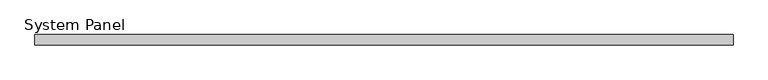
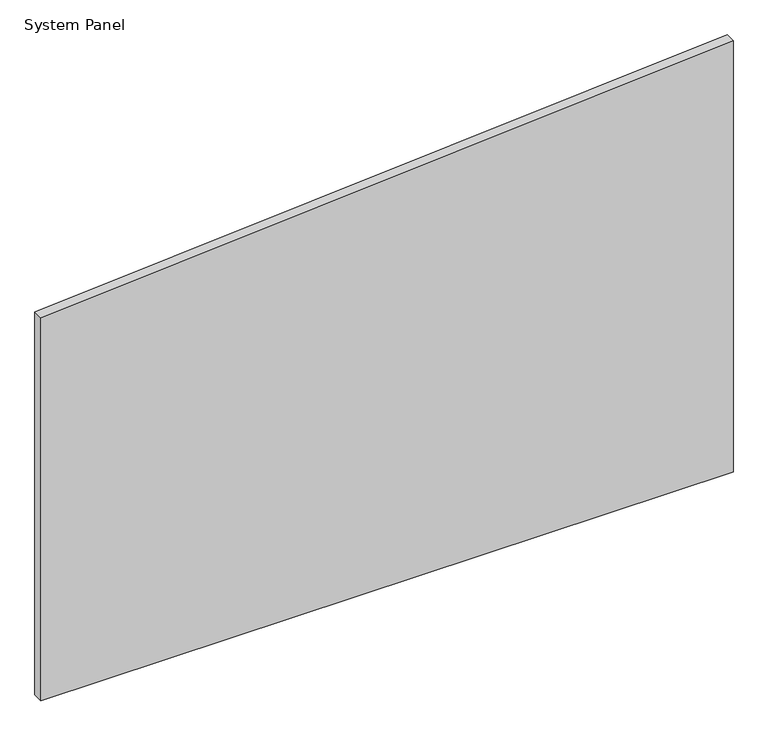
"""IFC4 building model written with IfcOpenShell, lengths in millimetres: plate geometry, System Panel."""

from ifc_helpers import new_model, si_unit, frame, origin, place, context, project, spatial, polyline, outline, extrude, source, transform, mapped, element, save


def system_panel_275e187a(model_context):
    return source(origin(), model_context, "Body", "SweptSolid", [
        extrude(outline(polyline([(0.0, -660.190407), (0.0, 660.190407), (869.5225486, 660.190407), (772.3361392, -660.190407), (0.0, -660.190407)])), frame((0.0, -10.0, 0.0), z_axis=(0.0, 1.0, 0.0), x_axis=(0.0, 0.0, 1.0)), (0.0, 0.0, 1.0), 20.0),
    ])


if __name__ == "__main__":
    model = new_model("IFC4")
    model_context = context("Model", 3, world=origin())
    ifc_project = project(units=[si_unit("LENGTHUNIT", "METRE", prefix="MILLI")], contexts=[model_context])
    site = spatial("IfcSite", under=ifc_project)
    building = spatial("IfcBuilding", under=site)
    placement = place(None, origin())
    system_panel_shape = system_panel_275e187a(model_context)
    element("IfcPlate", 1, ObjectType="System Panel", at=placement, inside=building, context=model_context, shape_type="MappedRepresentation", body=[
        mapped(system_panel_shape, transform((0.0, 0.0, 0.0), x_axis=(1.0, 0.0, 0.0), y_axis=(0.0, 1.0, 0.0), z_axis=(0.0, 0.0, 1.0))),
    ])
    save(model, "model.ifc")
